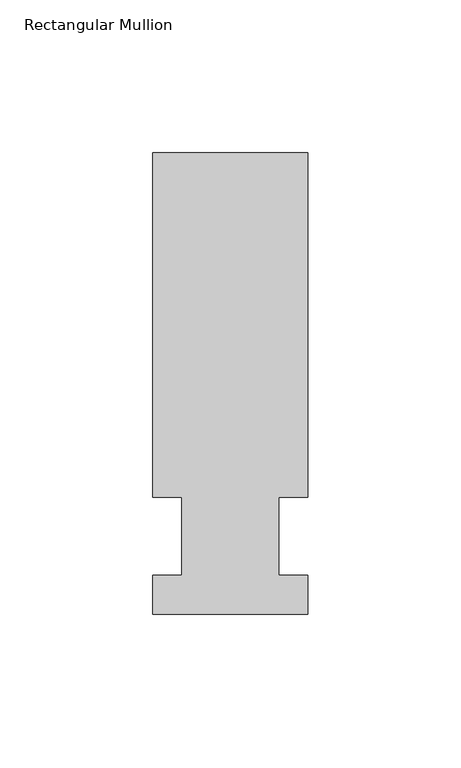
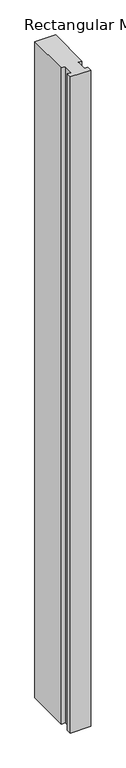
"""IFC4 building model written with IfcOpenShell, lengths in millimetres: member geometry, Rectangular Mullion."""

from ifc_helpers import new_model, si_unit, frame, origin, place, context, project, spatial, polyline, outline, extrude, source, transform, mapped, element, save


def rectangular_mullion_6695e9ce(model_context):
    return source(origin(), model_context, "Body", "SweptSolid", [
        extrude(outline(polyline([(-25.4, -25.58415), (-25.4, -12.7), (-15.875, -12.7), (-15.875, 12.7), (-25.4, 12.7), (-25.4, 125.59665), (25.4, 125.59665), (25.4, 12.7), (15.875, 12.7), (15.875, -12.7), (25.4, -12.7), (25.4, -25.58415), (-25.4, -25.58415)])), frame((0.0, 0.0, -1710.2666667), z_axis=(0.0, 0.0, 1.0), x_axis=(1.0, 0.0, 0.0)), (0.0, 0.0, 1.0), 1710.2666667),
    ])


if __name__ == "__main__":
    model = new_model("IFC4")
    model_context = context("Model", 3, world=origin())
    ifc_project = project(units=[si_unit("LENGTHUNIT", "METRE", prefix="MILLI")], contexts=[model_context])
    site = spatial("IfcSite", under=ifc_project)
    building = spatial("IfcBuilding", under=site)
    placement = place(None, origin())
    rectangular_mullion_shape = rectangular_mullion_6695e9ce(model_context)
    element("IfcMember", 1, ObjectType="Rectangular Mullion", at=placement, inside=building, context=model_context, shape_type="MappedRepresentation", body=[
        mapped(rectangular_mullion_shape, transform((0.0, 0.0, 0.0), x_axis=(1.0, 0.0, 0.0), y_axis=(0.0, 1.0, 0.0), z_axis=(0.0, 0.0, 1.0))),
    ])
    save(model, "model.ifc")
